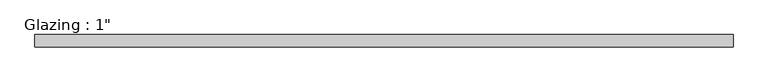
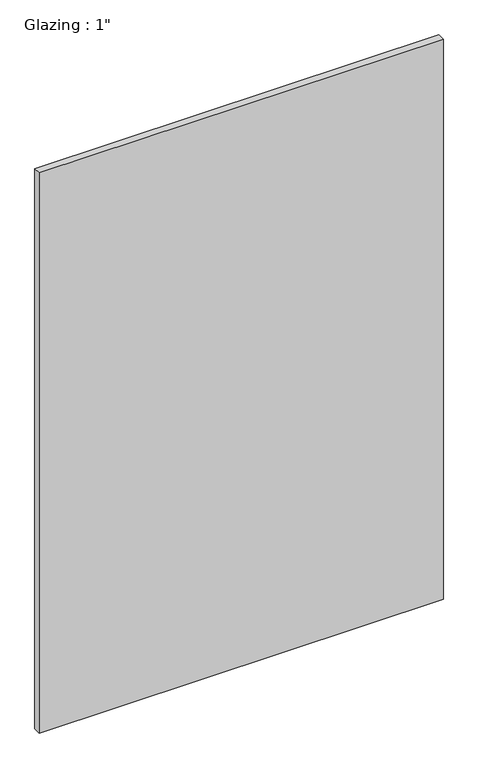
"""IFC4 building model written with IfcOpenShell, lengths in millimetres: plate geometry."""

from ifc_helpers import new_model, si_unit, origin, origin_with_axes, place, context, project, spatial, polyline, outline, extrude, source, transform, mapped, element, save


def plate_d71bfe26(model_context):
    return source(origin(), model_context, "Body", "SweptSolid", [
        extrude(outline(polyline([(715.3949896, -12.7), (-715.3949896, -12.7), (-715.3949896, 12.7), (715.3949896, 12.7), (715.3949896, -12.7)])), origin_with_axes(), (0.0, 0.0, 1.0), 2094.5428768),
    ])


if __name__ == "__main__":
    model = new_model("IFC4")
    model_context = context("Model", 3, world=origin())
    ifc_project = project(units=[si_unit("LENGTHUNIT", "METRE", prefix="MILLI")], contexts=[model_context])
    site = spatial("IfcSite", under=ifc_project)
    building = spatial("IfcBuilding", under=site)
    placement = place(None, origin())
    plate_shape = plate_d71bfe26(model_context)
    element("IfcPlate", 1, ObjectType="Glazing : 1\"", at=placement, inside=building, context=model_context, shape_type="MappedRepresentation", body=[
        mapped(plate_shape, transform((0.0, 0.0, 0.0), x_axis=(1.0, 0.0, 0.0), y_axis=(0.0, 1.0, 0.0), z_axis=(0.0, 0.0, 1.0))),
    ])
    save(model, "model.ifc")
